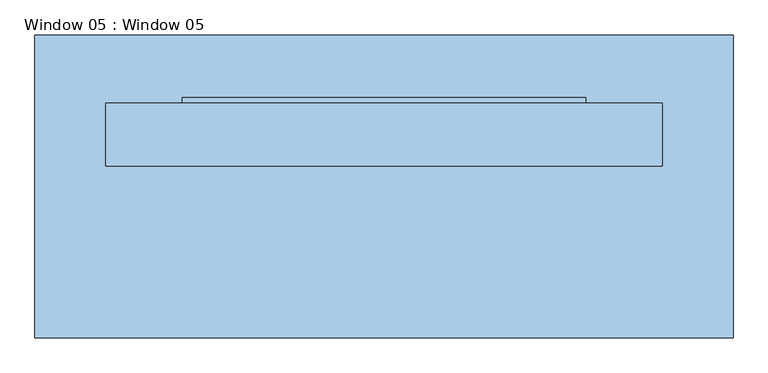
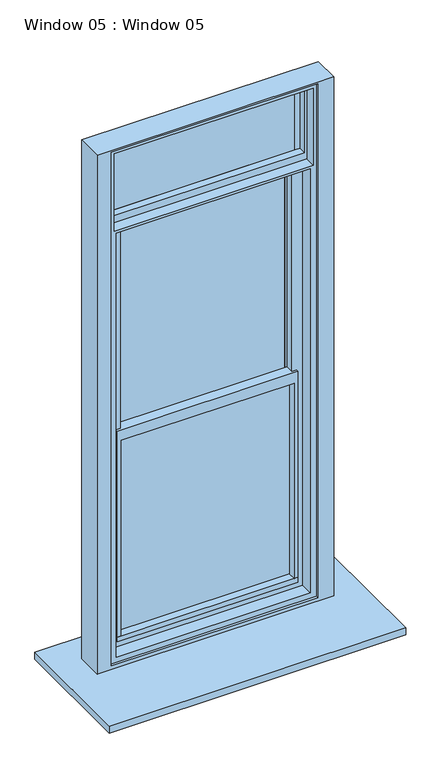
"""IFC4 building model written with IfcOpenShell, lengths in millimetres: window geometry, Window 05 : Window 05."""

from ifc_helpers import new_model, si_unit, frame, origin, place, context, project, spatial, polyline, outline, extrude, source, transform, mapped, element, save


def window_05_window_05_78e626bb(model_context):
    return source(origin(), model_context, "Body", "SweptSolid", [
        extrude(outline(polyline([(458.998467, 77.5373865), (-458.998467, 77.5373865), (-458.998467, 144.272), (458.998467, 144.272), (458.998467, 77.5373865)])), frame((0.0, 0.0, 1035.05), z_axis=(0.0, 0.0, 1.0), x_axis=(1.0, 0.0, 0.0)), (0.0, 0.0, 1.0), 25.4),
        extrude(outline(polyline([(426.3702476, 92.8422199), (-426.3702476, 92.8422199), (-426.3702476, 156.972), (426.3702476, 156.972), (426.3702476, 92.8422199)])), frame((0.0, 0.0, 3234.6654065), z_axis=(0.0, 0.0, 1.0), x_axis=(1.0, 0.0, 0.0)), (0.0, 0.0, 1.0), 19.05),
        extrude(outline(polyline([(3279.1154065, 435.8952476), (3279.1154065, -435.8952476), (3234.6654065, -435.8952476), (3234.6654065, -426.3702476), (3253.7154065, -426.3702476), (3253.7154065, 426.3702476), (3234.6654065, 426.3702476), (3234.6654065, 435.8952476), (3279.1154065, 435.8952476)])), frame((0.0, 118.2422199, 0.0), z_axis=(0.0, 1.0, 0.0), x_axis=(0.0, 0.0, 1.0)), (0.0, 0.0, 1.0), 38.7297801),
        extrude(outline(polyline([(3707.7404065, 506.095), (3707.7404065, -506.095), (3291.8154065, -506.095), (3291.8154065, 506.095), (3707.7404065, 506.095)]), holes=[polyline([(3329.9154065, 493.395), (3329.9154065, -493.395), (3688.6904065, -493.395), (3688.6904065, 493.395), (3329.9154065, 493.395)])]), frame((0.0, 79.8387141, 0.0), z_axis=(0.0, 1.0, 0.0), x_axis=(0.0, 0.0, 1.0)), (0.0, 0.0, 1.0), 38.4035058),
        extrude(outline(polyline([(3688.6904065, 493.395), (3688.6904065, -493.395), (3329.9154065, -493.395), (3329.9154065, -467.995), (3672.8154065, -467.995), (3672.8154065, 467.995), (3329.9154065, 467.995), (3329.9154065, 493.395), (3688.6904065, 493.395)])), frame((0.0, 118.2422199, 0.0), z_axis=(0.0, 1.0, 0.0), x_axis=(0.0, 0.0, 1.0)), (0.0, 0.0, 1.0), 25.0137801),
        extrude(outline(polyline([(467.995, 117.9387141), (-467.995, 117.9387141), (-467.995, 143.256), (467.995, 143.256), (467.995, 117.9387141)])), frame((0.0, 0.0, 3329.9154065), z_axis=(0.0, 0.0, 1.0), x_axis=(1.0, 0.0, 0.0)), (0.0, 0.0, 1.0), 342.9),
        extrude(outline(polyline([(753.618, -361.95), (-753.618, -361.95), (-753.618, 292.1), (753.618, 292.1), (753.618, -361.95)])), frame((0.0, 0.0, 914.4), z_axis=(0.0, 0.0, 1.0), x_axis=(1.0, 0.0, 0.0)), (0.0, 0.0, 1.0), 38.1),
        extrude(outline(polyline([(2167.8654065, -435.8952476), (2167.8654065, -423.1952476), (3221.9654065, -423.1952476), (3221.9654065, 423.1952476), (2167.8654065, 423.1952476), (2167.8654065, 435.8952476), (3234.6654065, 435.8952476), (3234.6654065, -435.8952476), (2167.8654065, -435.8952476)])), frame((0.0, 131.4619546, 0.0), z_axis=(0.0, 1.0, 0.0), x_axis=(0.0, 0.0, 1.0)), (0.0, 0.0, 1.0), 25.5100454),
        extrude(outline(polyline([(423.1952476, 131.4619546), (-423.1952476, 131.4619546), (-423.1952476, 156.972), (423.1952476, 156.972), (423.1952476, 131.4619546)])), frame((0.0, 0.0, 2167.8654065), z_axis=(0.0, 0.0, 1.0), x_axis=(1.0, 0.0, 0.0)), (0.0, 0.0, 1.0), 1054.1),
        extrude(outline(polyline([(2167.8654065, 458.998467), (2167.8654065, -458.998467), (1060.45, -458.998467), (1060.45, -439.948467), (2110.7154065, -439.948467), (2110.7154065, 439.948467), (1060.45, 439.948467), (1060.45, 458.998467), (2167.8654065, 458.998467)])), frame((0.0, 77.5373865, 0.0), z_axis=(0.0, 1.0, 0.0), x_axis=(0.0, 0.0, 1.0)), (0.0, 0.0, 1.0), 66.7346135),
        extrude(outline(polyline([(439.948467, 118.7619546), (-439.948467, 118.7619546), (-439.948467, 144.272), (439.948467, 144.272), (439.948467, 118.7619546)])), frame((0.0, 0.0, 1060.45), z_axis=(0.0, 0.0, 1.0), x_axis=(1.0, 0.0, 0.0)), (0.0, 0.0, 1.0), 1050.2654065),
        extrude(outline(polyline([(3742.69, 601.218), (3742.69, -601.218), (952.5, -601.218), (952.5, 601.218), (3742.69, 601.218)]), holes=[polyline([(971.55, 521.228467), (971.55, -528.848467), (3733.1404065, -528.848467), (3733.1404065, 521.228467), (971.55, 521.228467)])]), frame((0.0, 8.9573865, 0.0), z_axis=(0.0, 1.0, 0.0), x_axis=(0.0, 0.0, 1.0)), (0.0, 0.0, 1.0), 135.3146135),
        extrude(outline(polyline([(3733.1404065, 521.228467), (3733.1404065, -528.848467), (971.55, -528.848467), (971.55, 521.228467), (3733.1404065, 521.228467)]), holes=[polyline([(3279.1154065, 489.478467), (1000.125, 489.478467), (1000.125, -497.098467), (3279.1154065, -497.098467), (3279.1154065, 489.478467)]), polyline([(3707.7404065, 506.095), (3291.8154065, 506.095), (3291.8154065, -506.095), (3707.7404065, -506.095), (3707.7404065, 506.095)])]), frame((0.0, 21.6573865, 0.0), z_axis=(0.0, 1.0, 0.0), x_axis=(0.0, 0.0, 1.0)), (0.0, 0.0, 1.0), 122.6146135),
        extrude(outline(polyline([(2167.8654065, -435.8952476), (3279.1154065, -435.8952476), (3279.1154065, -497.098467), (1000.125, -497.098467), (1000.125, 489.478467), (3279.1154065, 489.478467), (3279.1154065, 435.8952476), (2167.8654065, 435.8952476), (2167.8654065, 458.998467), (1035.05, 458.998467), (1035.05, -458.998467), (2167.8654065, -458.998467), (2167.8654065, -435.8952476)])), frame((0.0, 88.9, 0.0), z_axis=(0.0, 1.0, 0.0), x_axis=(0.0, 0.0, 1.0)), (0.0, 0.0, 1.0), 55.372),
    ])


if __name__ == "__main__":
    model = new_model("IFC4")
    model_context = context("Model", 3, world=origin())
    ifc_project = project(units=[si_unit("LENGTHUNIT", "METRE", prefix="MILLI")], contexts=[model_context])
    site = spatial("IfcSite", under=ifc_project)
    building = spatial("IfcBuilding", under=site)
    placement = place(None, origin())
    window_05_window_05_shape = window_05_window_05_78e626bb(model_context)
    element("IfcWindow", 1, ObjectType="Window 05 : Window 05", at=placement, inside=building, context=model_context, shape_type="MappedRepresentation", body=[
        mapped(window_05_window_05_shape, transform((0.0, 0.0, 0.0), x_axis=(1.0, 0.0, 0.0), y_axis=(0.0, 1.0, 0.0), z_axis=(0.0, 0.0, 1.0))),
    ])
    save(model, "model.ifc")
